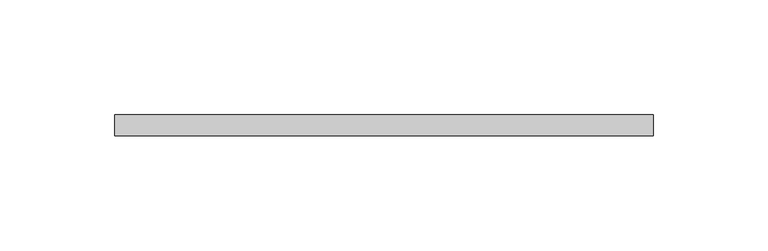
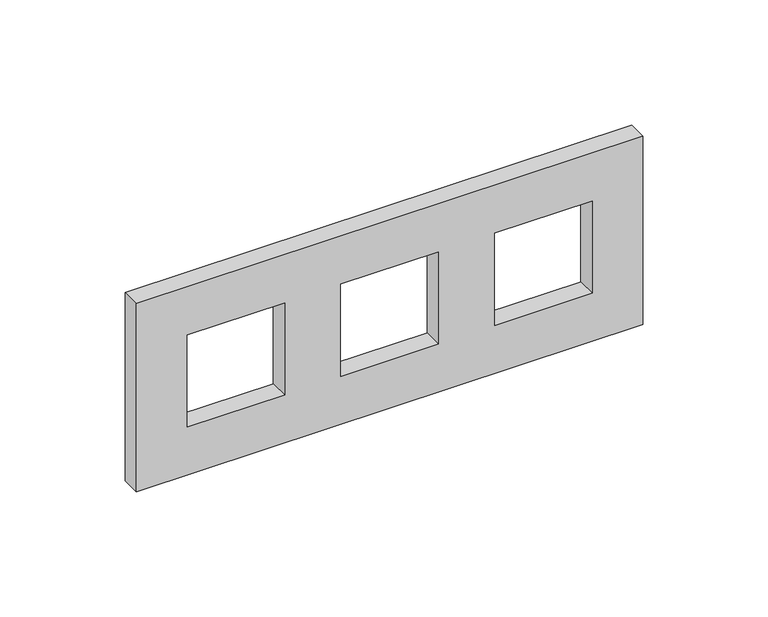
"""IFC4 building model written with IfcOpenShell, lengths in millimetres: proxy geometry."""

from ifc_helpers import new_model, si_unit, frame, origin, place, context, project, spatial, polyline, outline, extrude, source, transform, mapped, element, save


def electrical_fixtures_f89c05f8(model_context):
    return source(origin(), model_context, "Body", "SweptSolid", [
        extrude(outline(polyline([(46.0, 117.0), (46.0, -117.0), (-46.0, -117.0), (-46.0, 117.0), (46.0, 117.0)]), holes=[polyline([(22.5, -48.5), (-22.5, -48.5), (-22.5, -93.5), (22.5, -93.5), (22.5, -48.5)]), polyline([(22.5, 22.5), (-22.5, 22.5), (-22.5, -22.5), (22.5, -22.5), (22.5, 22.5)]), polyline([(22.5, 93.5), (-22.5, 93.5), (-22.5, 48.5), (22.5, 48.5), (22.5, 93.5)])]), frame((0.0, 0.0, 0.0), z_axis=(0.0, 1.0, 0.0), x_axis=(0.0, 0.0, 1.0)), (0.0, 0.0, 1.0), 9.0),
    ])


if __name__ == "__main__":
    model = new_model("IFC4")
    model_context = context("Model", 3, world=origin())
    ifc_project = project(units=[si_unit("LENGTHUNIT", "METRE", prefix="MILLI")], contexts=[model_context])
    site = spatial("IfcSite", under=ifc_project)
    building = spatial("IfcBuilding", under=site)
    placement = place(None, origin())
    electrical_fixtures_shape = electrical_fixtures_f89c05f8(model_context)
    element("IfcBuildingElementProxy", 1, Name="Electrical Fixtures", at=placement, inside=building, context=model_context, shape_type="MappedRepresentation", body=[
        mapped(electrical_fixtures_shape, transform((0.0, 0.0, 0.0), x_axis=(1.0, 0.0, 0.0), y_axis=(0.0, 1.0, 0.0), z_axis=(0.0, 0.0, 1.0))),
    ])
    save(model, "model.ifc")
